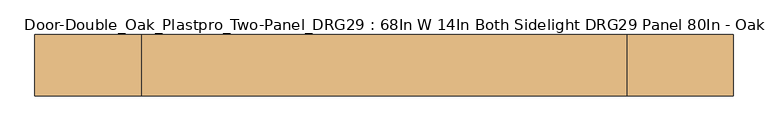
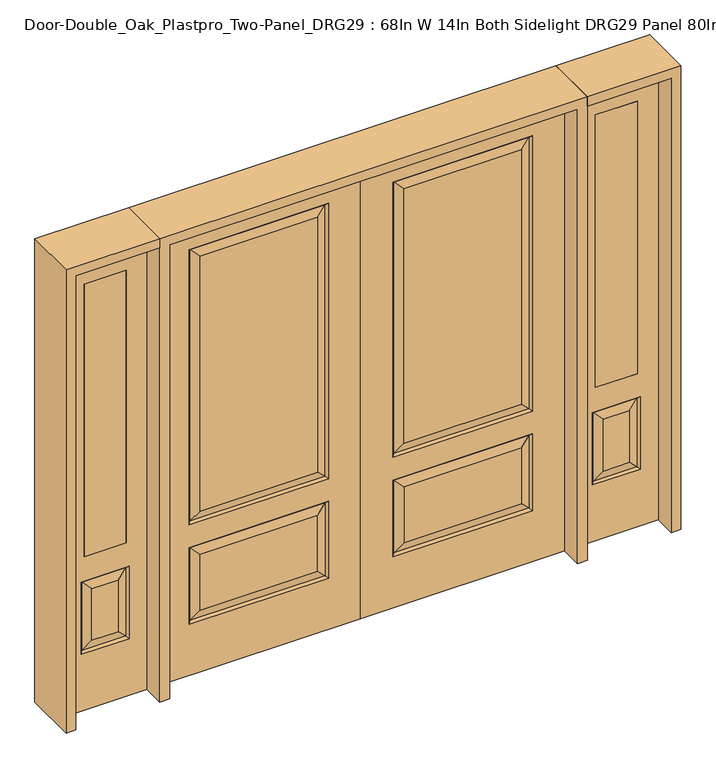
"""IFC4 building model written with IfcOpenShell, lengths in millimetres: door geometry, Door-Double_Oak_Plastpro_Two-Panel_DRG29 : 68In W 14In Both Sidelight DRG29 Panel 80In - Oak."""

from ifc_helpers import new_model, si_unit, frame, origin, place, context, project, spatial, polyline, outline, extrude, faceted_brep, source, transform, mapped, element, save


def door_double_oak_plastpro_two_panel_drg29_68in_w_14in_both_807c6500(model_context):
    return source(origin(), model_context, "Body", "SolidModel", [
        faceted_brep([(717.9796986, -11.6572439, 562.4046986), (145.6203014, -11.6572439, 562.4046986), (182.6775452, -20.6375, 525.3474548), (680.9224548, -20.6375, 525.3474548), (182.6775452, -20.6375, 274.7525452), (145.6203014, -11.6572439, 237.6953014), (0.0, 20.6375, 0.0), (863.6, 20.6375, 0.0), (863.6, -20.6375, 0.0), (0.0, -20.6375, 0.0), (0.0, 20.6375, 2032.0), (0.0, -20.6375, 2032.0), (863.6, -20.6375, 2032.0), (136.6400452, -20.6375, 228.7150452), (136.6400452, -20.6375, 571.3849548), (726.9599548, -20.6375, 571.3849548), (726.9599548, -20.6375, 228.7150452), (136.6400452, -20.6375, 673.2150452), (136.6400452, -20.6375, 1904.8849548), (726.9599548, -20.6375, 1904.8849548), (726.9599548, -20.6375, 673.2150452), (680.9224548, -20.6375, 274.7525452), (680.9224548, -20.6375, 719.2525452), (680.9224548, -20.6375, 1858.8474548), (182.6775452, -20.6375, 1858.8474548), (182.6775452, -20.6375, 719.2525452), (680.9224548, 20.6375, 274.7525452), (680.9224548, 20.6375, 525.3474548), (717.9796986, 11.6572439, 562.4046986), (717.9796986, 11.6572439, 237.6953014), (726.9599548, 20.6375, 571.3849548), (726.9599548, 20.6375, 228.7150452), (145.6203014, 11.6572439, 237.6953014), (145.6203014, 11.6572439, 562.4046986), (182.6775452, 20.6375, 525.3474548), (182.6775452, 20.6375, 274.7525452), (145.6203014, 11.6572439, 682.1953014), (182.6775452, 20.6375, 719.2525452), (680.9224548, 20.6375, 719.2525452), (717.9796986, 11.6572439, 682.1953014), (680.9224548, 20.6375, 1858.8474548), (717.9796986, 11.6572439, 1895.9046986), (136.6400452, 20.6375, 571.3849548), (717.9796986, -11.6572439, 237.6953014), (863.6, 20.6375, 2032.0), (136.6400452, 20.6375, 228.7150452), (726.9599548, 20.6375, 673.2150452), (726.9599548, 20.6375, 1904.8849548), (136.6400452, 20.6375, 1904.8849548), (136.6400452, 20.6375, 673.2150452), (182.6775452, 20.6375, 1858.8474548), (145.6203014, 11.6572439, 1895.9046986), (145.6203014, -11.6572439, 682.1953014), (717.9796986, -11.6572439, 682.1953014), (717.9796986, -11.6572439, 1895.9046986), (145.6203014, -11.6572439, 1895.9046986)], [[[0, 1, 2, 3]], [[4, 2, 1, 5]], [[6, 7, 8, 9]], [[10, 6, 9, 11]], [[11, 9, 8, 12], [13, 14, 15, 16], [17, 18, 19, 20]], [[21, 3, 2, 4]], [[22, 23, 24, 25]], [[26, 27, 28, 29]], [[29, 28, 30, 31]], [[32, 33, 34, 35]], [[36, 37, 38, 39]], [[38, 40, 41, 39]], [[28, 33, 42, 30]], [[16, 15, 0, 43]], [[15, 14, 1, 0]], [[12, 8, 7, 44]], [[44, 7, 6, 10], [31, 30, 42, 45], [46, 47, 48, 49]], [[37, 50, 40, 38]], [[35, 34, 27, 26]], [[10, 11, 12, 44]], [[49, 48, 51, 36]], [[29, 31, 45, 32]], [[36, 51, 50, 37]], [[45, 42, 33, 32]], [[39, 46, 49, 36]], [[39, 41, 47, 46]], [[32, 35, 26, 29]], [[27, 34, 33, 28]], [[52, 17, 20, 53]], [[20, 19, 54, 53]], [[52, 55, 18, 17]], [[53, 22, 25, 52]], [[25, 24, 55, 52]], [[53, 54, 23, 22]], [[5, 13, 16, 43]], [[5, 1, 14, 13]], [[43, 21, 4, 5]], [[43, 0, 3, 21]], [[19, 18, 55, 54]], [[54, 55, 24, 23]], [[40, 50, 51, 41]], [[41, 51, 48, 47]]]),
        faceted_brep([(-717.9796986, -11.6572439, 562.4046986), (-680.9224548, -20.6375, 525.3474548), (-182.6775452, -20.6375, 525.3474548), (-145.6203014, -11.6572439, 562.4046986), (-182.6775452, -20.6375, 274.7525452), (-145.6203014, -11.6572439, 237.6953014), (0.0, 20.6375, 0.0), (0.0, -20.6375, 0.0), (-863.6, -20.6375, 0.0), (-863.6, 20.6375, 0.0), (0.0, 20.6375, 2032.0), (0.0, -20.6375, 2032.0), (-680.9224548, -20.6375, 719.2525452), (-182.6775452, -20.6375, 719.2525452), (-182.6775452, -20.6375, 1858.8474548), (-680.9224548, -20.6375, 1858.8474548), (-863.6, -20.6375, 2032.0), (-136.6400452, -20.6375, 673.2150452), (-726.9599548, -20.6375, 673.2150452), (-726.9599548, -20.6375, 1904.8849548), (-136.6400452, -20.6375, 1904.8849548), (-136.6400452, -20.6375, 228.7150452), (-726.9599548, -20.6375, 228.7150452), (-726.9599548, -20.6375, 571.3849548), (-136.6400452, -20.6375, 571.3849548), (-680.9224548, -20.6375, 274.7525452), (-680.9224548, 20.6375, 274.7525452), (-717.9796986, 11.6572439, 237.6953014), (-717.9796986, 11.6572439, 562.4046986), (-680.9224548, 20.6375, 525.3474548), (-726.9599548, 20.6375, 228.7150452), (-726.9599548, 20.6375, 571.3849548), (-145.6203014, 11.6572439, 237.6953014), (-182.6775452, 20.6375, 274.7525452), (-182.6775452, 20.6375, 525.3474548), (-145.6203014, 11.6572439, 562.4046986), (-145.6203014, 11.6572439, 682.1953014), (-717.9796986, 11.6572439, 682.1953014), (-680.9224548, 20.6375, 719.2525452), (-182.6775452, 20.6375, 719.2525452), (-717.9796986, 11.6572439, 1895.9046986), (-680.9224548, 20.6375, 1858.8474548), (-136.6400452, 20.6375, 571.3849548), (-717.9796986, -11.6572439, 237.6953014), (-863.6, 20.6375, 2032.0), (-136.6400452, 20.6375, 228.7150452), (-726.9599548, 20.6375, 673.2150452), (-136.6400452, 20.6375, 673.2150452), (-136.6400452, 20.6375, 1904.8849548), (-726.9599548, 20.6375, 1904.8849548), (-182.6775452, 20.6375, 1858.8474548), (-145.6203014, 11.6572439, 1895.9046986), (-145.6203014, -11.6572439, 682.1953014), (-717.9796986, -11.6572439, 682.1953014), (-717.9796986, -11.6572439, 1895.9046986), (-145.6203014, -11.6572439, 1895.9046986)], [[[0, 1, 2, 3]], [[4, 5, 3, 2]], [[6, 7, 8, 9]], [[10, 11, 7, 6]], [[12, 13, 14, 15]], [[11, 16, 8, 7], [17, 18, 19, 20], [21, 22, 23, 24]], [[25, 4, 2, 1]], [[26, 27, 28, 29]], [[27, 30, 31, 28]], [[32, 33, 34, 35]], [[36, 37, 38, 39]], [[38, 37, 40, 41]], [[28, 31, 42, 35]], [[22, 43, 0, 23]], [[23, 0, 3, 24]], [[16, 44, 9, 8]], [[33, 26, 29, 34]], [[44, 10, 6, 9], [30, 45, 42, 31], [46, 47, 48, 49]], [[39, 38, 41, 50]], [[10, 44, 16, 11]], [[47, 36, 51, 48]], [[27, 32, 45, 30]], [[36, 39, 50, 51]], [[45, 32, 35, 42]], [[37, 36, 47, 46]], [[37, 46, 49, 40]], [[32, 27, 26, 33]], [[29, 28, 35, 34]], [[52, 53, 18, 17]], [[18, 53, 54, 19]], [[52, 17, 20, 55]], [[53, 52, 13, 12]], [[13, 52, 55, 14]], [[53, 12, 15, 54]], [[5, 43, 22, 21]], [[5, 21, 24, 3]], [[43, 5, 4, 25]], [[43, 25, 1, 0]], [[19, 54, 55, 20]], [[54, 15, 14, 55]], [[41, 40, 51, 50]], [[40, 49, 48, 51]]]),
        extrude(outline(polyline([(1171.575, -20.6375), (993.775, -20.6375), (993.775, 20.6375), (1171.575, 20.6375), (1171.575, -20.6375)])), frame((0.0, 0.0, 685.8), z_axis=(0.0, 0.0, 1.0), x_axis=(1.0, 0.0, 0.0)), (0.0, 0.0, 1.0), 1219.2),
        faceted_brep([(1171.575, -20.6375, 1905.0), (993.775, -20.6375, 1905.0), (993.775, 20.6375, 1905.0), (1171.575, 20.6375, 1905.0), (1138.1224548, -20.6375, 531.6974548), (1027.2275452, -20.6375, 531.6974548), (1027.2275452, -20.6375, 300.1525452), (1138.1224548, -20.6375, 300.1525452), (904.875, -20.6375, 2032.0), (904.875, -20.6375, 0.0), (1260.475, -20.6375, 0.0), (1260.475, -20.6375, 2032.0), (1171.575, -20.6375, 685.8), (993.775, -20.6375, 685.8), (1184.1599548, -20.6375, 254.1150452), (981.1900452, -20.6375, 254.1150452), (981.1900452, -20.6375, 577.7349548), (1184.1599548, -20.6375, 577.7349548), (1175.1796986, 11.6572439, 568.7546986), (1184.1599548, 20.6375, 577.7349548), (1184.1599548, 20.6375, 254.1150452), (1175.1796986, 11.6572439, 263.0953014), (990.1703014, 11.6572439, 568.7546986), (981.1900452, 20.6375, 577.7349548), (1138.1224548, 20.6375, 300.1525452), (1138.1224548, 20.6375, 531.6974548), (1171.575, 20.6375, 685.8), (993.775, 20.6375, 685.8), (990.1703014, -11.6572439, 263.0953014), (1175.1796986, -11.6572439, 263.0953014), (990.1703014, -11.6572439, 568.7546986), (1175.1796986, -11.6572439, 568.7546986), (904.875, 20.6375, 2032.0), (1260.475, 20.6375, 2032.0), (904.875, 20.6375, 0.0), (1260.475, 20.6375, 0.0), (981.1900452, 20.6375, 254.1150452), (1027.2275452, 20.6375, 300.1525452), (1027.2275452, 20.6375, 531.6974548), (990.1703014, 11.6572439, 263.0953014)], [[[0, 1, 2, 3]], [[4, 5, 6, 7]], [[8, 9, 10, 11], [0, 12, 13, 1], [14, 15, 16, 17]], [[18, 19, 20, 21]], [[18, 22, 23, 19]], [[21, 24, 25, 18]], [[26, 27, 13, 12]], [[7, 6, 28, 29]], [[6, 5, 30, 28]], [[29, 14, 17, 31]], [[32, 8, 11, 33]], [[34, 35, 10, 9]], [[32, 34, 9, 8]], [[11, 10, 35, 33]], [[33, 35, 34, 32], [19, 23, 36, 20], [2, 27, 26, 3]], [[24, 37, 38, 25]], [[20, 36, 39, 21]], [[36, 23, 22, 39]], [[25, 38, 22, 18]], [[39, 22, 38, 37]], [[21, 39, 37, 24]], [[3, 26, 12, 0]], [[1, 13, 27, 2]], [[31, 4, 7, 29]], [[31, 30, 5, 4]], [[17, 16, 30, 31]], [[28, 30, 16, 15]], [[29, 28, 15, 14]]]),
        extrude(outline(polyline([(-1171.575, -20.6375), (-1171.575, 20.6375), (-993.775, 20.6375), (-993.775, -20.6375), (-1171.575, -20.6375)])), frame((0.0, 0.0, 685.8), z_axis=(0.0, 0.0, 1.0), x_axis=(1.0, 0.0, 0.0)), (0.0, 0.0, 1.0), 1219.2),
        faceted_brep([(-1171.575, -20.6375, 1905.0), (-1171.575, 20.6375, 1905.0), (-993.775, 20.6375, 1905.0), (-993.775, -20.6375, 1905.0), (-1138.1224548, -20.6375, 531.6974548), (-1138.1224548, -20.6375, 300.1525452), (-1027.2275452, -20.6375, 300.1525452), (-1027.2275452, -20.6375, 531.6974548), (-904.875, -20.6375, 2032.0), (-1260.475, -20.6375, 2032.0), (-1260.475, -20.6375, 0.0), (-904.875, -20.6375, 0.0), (-1184.1599548, -20.6375, 254.1150452), (-1184.1599548, -20.6375, 577.7349548), (-981.1900452, -20.6375, 577.7349548), (-981.1900452, -20.6375, 254.1150452), (-993.775, -20.6375, 685.8), (-1171.575, -20.6375, 685.8), (-1175.1796986, 11.6572439, 568.7546986), (-1175.1796986, 11.6572439, 263.0953014), (-1184.1599548, 20.6375, 254.1150452), (-1184.1599548, 20.6375, 577.7349548), (-981.1900452, 20.6375, 577.7349548), (-990.1703014, 11.6572439, 568.7546986), (-1138.1224548, 20.6375, 531.6974548), (-1138.1224548, 20.6375, 300.1525452), (-1171.575, 20.6375, 685.8), (-993.775, 20.6375, 685.8), (-1175.1796986, -11.6572439, 263.0953014), (-990.1703014, -11.6572439, 263.0953014), (-990.1703014, -11.6572439, 568.7546986), (-1175.1796986, -11.6572439, 568.7546986), (-904.875, 20.6375, 2032.0), (-1260.475, 20.6375, 2032.0), (-904.875, 20.6375, 0.0), (-1260.475, 20.6375, 0.0), (-981.1900452, 20.6375, 254.1150452), (-1027.2275452, 20.6375, 531.6974548), (-1027.2275452, 20.6375, 300.1525452), (-990.1703014, 11.6572439, 263.0953014)], [[[0, 1, 2, 3]], [[4, 5, 6, 7]], [[8, 9, 10, 11], [12, 13, 14, 15], [0, 3, 16, 17]], [[18, 19, 20, 21]], [[18, 21, 22, 23]], [[19, 18, 24, 25]], [[26, 17, 16, 27]], [[5, 28, 29, 6]], [[6, 29, 30, 7]], [[28, 31, 13, 12]], [[32, 33, 9, 8]], [[34, 11, 10, 35]], [[32, 8, 11, 34]], [[9, 33, 35, 10]], [[33, 32, 34, 35], [21, 20, 36, 22], [2, 1, 26, 27]], [[25, 24, 37, 38]], [[20, 19, 39, 36]], [[36, 39, 23, 22]], [[24, 18, 23, 37]], [[39, 38, 37, 23]], [[19, 25, 38, 39]], [[1, 0, 17, 26]], [[3, 2, 27, 16]], [[31, 28, 5, 4]], [[31, 4, 7, 30]], [[13, 31, 30, 14]], [[29, 15, 14, 30]], [[28, 12, 15, 29]]]),
        extrude(outline(polyline([(2032.0, -904.875), (2073.275, -904.875), (2073.275, -1301.75), (0.0, -1301.75), (0.0, -1260.475), (2032.0, -1260.475), (2032.0, -904.875)])), frame((0.0, -114.3, 0.0), z_axis=(0.0, 1.0, 0.0), x_axis=(0.0, 0.0, 1.0)), (0.0, 0.0, 1.0), 228.6),
        extrude(outline(polyline([(2073.275, -904.875), (0.0, -904.875), (0.0, -863.6), (2032.0, -863.6), (2032.0, 863.6), (0.0, 863.6), (0.0, 904.875), (2073.275, 904.875), (2073.275, -904.875)])), frame((0.0, -114.3, 0.0), z_axis=(0.0, 1.0, 0.0), x_axis=(0.0, 0.0, 1.0)), (0.0, 0.0, 1.0), 228.6),
        extrude(outline(polyline([(0.0, 1260.475), (0.0, 1301.75), (2073.275, 1301.75), (2073.275, 904.875), (2032.0, 904.875), (2032.0, 1260.475), (0.0, 1260.475)])), frame((0.0, -114.3, 0.0), z_axis=(0.0, 1.0, 0.0), x_axis=(0.0, 0.0, 1.0)), (0.0, 0.0, 1.0), 228.6),
    ])


if __name__ == "__main__":
    model = new_model("IFC4")
    model_context = context("Model", 3, world=origin())
    ifc_project = project(units=[si_unit("LENGTHUNIT", "METRE", prefix="MILLI")], contexts=[model_context])
    site = spatial("IfcSite", under=ifc_project)
    building = spatial("IfcBuilding", under=site)
    placement = place(None, origin())
    door_double_oak_plastpro_two_panel_drg29_68in_w_14in_both_shape = door_double_oak_plastpro_two_panel_drg29_68in_w_14in_both_807c6500(model_context)
    element("IfcDoor", 1, ObjectType="Door-Double_Oak_Plastpro_Two-Panel_DRG29 : 68In W 14In Both Sidelight DRG29 Panel 80In - Oak", at=placement, inside=building, context=model_context, shape_type="MappedRepresentation", body=[
        mapped(door_double_oak_plastpro_two_panel_drg29_68in_w_14in_both_shape, transform((0.0, 0.0, 0.0), x_axis=(1.0, 0.0, 0.0), y_axis=(0.0, 1.0, 0.0), z_axis=(0.0, 0.0, 1.0))),
    ])
    save(model, "model.ifc")
